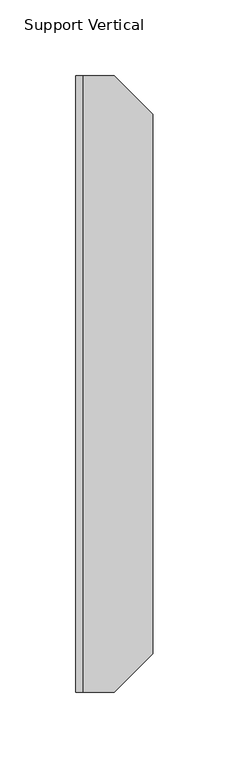
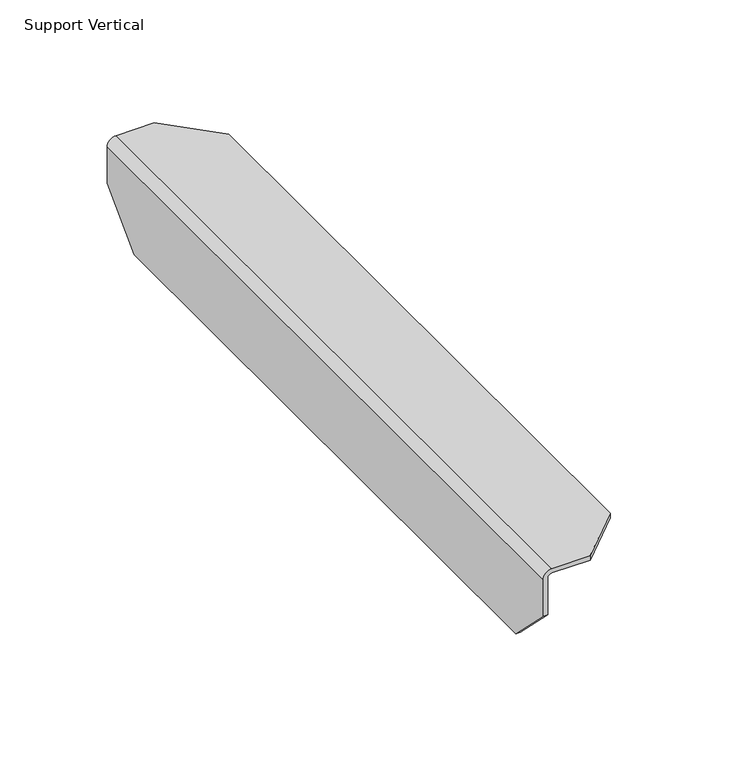
"""IFC4 building model written with IfcOpenShell, lengths in millimetres: furniture geometry, Support Vertical."""

from ifc_helpers import new_model, si_unit, frame, origin, place, context, project, spatial, polyline, circle_curve, source, transform, mapped, element, save
from ifc_brep_helpers import plane_surface, cylinder_surface, revolved_surface, advanced_brep


def support_vertical_fdb97936(model_context):
    return source(origin(), model_context, "Body", "AdvancedBrep", [
        advanced_brep(
        [(2.4638, -406.4, 847.5472), (4.7498, -406.4, 849.8332), (25.4, -406.4, 849.8332), (25.4, -406.4, 852.297), (4.7498, -406.4, 852.297), (0.0, -406.4, 847.5472), (0.0, -406.4, 826.897), (2.4638, -406.4, 826.897), (0.0, 0.0, 847.5472), (4.7498, 0.0, 852.297), (25.4, 0.0, 852.297), (25.4, 0.0, 849.8332), (4.7498, 0.0, 849.8332), (2.4638, 0.0, 847.5472), (2.4638, 0.0, 826.897), (0.0, 0.0, 826.897), (0.0, -381.0, 801.497), (0.0, -25.4, 801.497), (2.4638, -25.4, 801.497), (2.4638, -381.0, 801.497), (50.8, -25.4, 849.8332), (50.8, -381.0, 849.8332), (50.8, -25.4, 852.297), (50.8, -381.0, 852.297)],
        [
            (0, 1, circle_curve(frame((4.7498, -406.4, 847.5472), z_axis=(0.0, 1.0, 0.0), x_axis=(1.0, 0.0, 0.0)), 2.286)),
            (1, 2),
            (2, 3),
            (3, 4),
            (4, 5, circle_curve(frame((4.7498, -406.4, 847.5472), z_axis=(0.0, -1.0, 0.0), x_axis=(1.0, 0.0, 0.0)), 4.7498)),
            (5, 6),
            (6, 7),
            (7, 0),
            (8, 9, circle_curve(frame((4.7498, 0.0, 847.5472), z_axis=(0.0, 1.0, 0.0), x_axis=(1.0, 0.0, 0.0)), 4.7498)),
            (9, 10),
            (10, 11),
            (11, 12),
            (12, 13, circle_curve(frame((4.7498, 0.0, 847.5472), z_axis=(0.0, -1.0, 0.0), x_axis=(1.0, 0.0, 0.0)), 2.286)),
            (13, 14),
            (14, 15),
            (15, 8),
            (16, 17),
            (17, 18),
            (18, 19),
            (19, 16),
            (13, 0),
            (7, 19),
            (18, 14),
            (12, 1),
            (11, 20),
            (20, 21),
            (21, 2),
            (20, 22),
            (22, 23),
            (23, 21),
            (9, 4),
            (3, 23),
            (22, 10),
            (8, 5),
            (15, 17),
            (16, 6),
        ],
        [
            plane_surface(frame((0.0, -406.4, 801.497), z_axis=(0.0, -1.0, 0.0), x_axis=(1.0, 0.0, 0.0))),
            plane_surface(frame((0.0, 0.0, 801.497), z_axis=(0.0, 1.0, 0.0), x_axis=(-1.0, 0.0, 0.0))),
            plane_surface(frame((0.0, -406.4, 801.497), z_axis=(0.0, 0.0, -1.0), x_axis=(0.0, 1.0, 0.0))),
            plane_surface(frame((2.4638, -406.4, 801.497), z_axis=(1.0, 0.0, 0.0), x_axis=(0.0, 1.0, 0.0))),
            revolved_surface(polyline([(7.0358, 0.0, 847.5472), (7.0358, -406.4, 847.5472)]), (4.7498, 0.0, 847.5472), (0.0, 1.0, 0.0)),
            plane_surface(frame((4.7498, -406.4, 849.8332), z_axis=(0.0, 0.0, -1.0), x_axis=(0.0, 1.0, 0.0))),
            plane_surface(frame((50.8, -406.4, 849.8332), z_axis=(1.0, 0.0, 0.0), x_axis=(0.0, 1.0, 0.0))),
            plane_surface(frame((50.8, -406.4, 852.297), z_axis=(0.0, 0.0, 1.0), x_axis=(0.0, 1.0, 0.0))),
            cylinder_surface(frame((4.7498, 0.0, 847.5472), z_axis=(0.0, -1.0, 0.0), x_axis=(1.0, 0.0, 0.0)), 4.7498),
            plane_surface(frame((0.0, -406.4, 847.5472), z_axis=(-1.0, 0.0, 0.0), x_axis=(0.0, 1.0, 0.0))),
            plane_surface(frame((25.4, 0.0, 852.297), z_axis=(0.7071067811857575, 0.7071067811873375, 0.0), x_axis=(0.0, 0.0, -1.0))),
            plane_surface(frame((50.8, -381.0, 852.297), z_axis=(0.7071067811865472, -0.7071067811865479, 0.0), x_axis=(0.0, 0.0, -1.0))),
            plane_surface(frame((2.4638, 0.0, 826.897), z_axis=(0.0, 0.7071067811851919, -0.7071067811879032), x_axis=(-1.0, 0.0, 0.0))),
            plane_surface(frame((2.4638, -381.0, 801.497), z_axis=(0.0, -0.7071067811852013, -0.7071067811878937), x_axis=(-1.0, 0.0, 0.0))),
        ],
        [
            (0, [[1, 2, 3, 4, 5, 6, 7, 8]]),
            (1, [[9, 10, 11, 12, 13, 14, 15, 16]]),
            (2, [[17, 18, 19, 20]]),
            (3, [[21, -8, 22, -19, 23, -14]]),
            (4, [[-1, -21, -13, 24]]),
            (5, [[-24, -12, 25, 26, 27, -2]]),
            (6, [[-26, 28, 29, 30]]),
            (7, [[31, -4, 32, -29, 33, -10]]),
            (8, [[-5, -31, -9, 34]]),
            (9, [[-34, -16, 35, -17, 36, -6]]),
            (10, [[-11, -33, -28, -25]]),
            (11, [[-3, -27, -30, -32]]),
            (12, [[-15, -23, -18, -35]]),
            (13, [[-7, -36, -20, -22]]),
        ],
    ),
    ])


if __name__ == "__main__":
    model = new_model("IFC4")
    model_context = context("Model", 3, world=origin())
    ifc_project = project(units=[si_unit("LENGTHUNIT", "METRE", prefix="MILLI")], contexts=[model_context])
    site = spatial("IfcSite", under=ifc_project)
    building = spatial("IfcBuilding", under=site)
    placement = place(None, origin())
    support_vertical_shape = support_vertical_fdb97936(model_context)
    element("IfcFurniture", 1, ObjectType="Support Vertical", at=placement, inside=building, context=model_context, shape_type="MappedRepresentation", body=[
        mapped(support_vertical_shape, transform((0.0, 0.0, 0.0), x_axis=(1.0, 0.0, 0.0), y_axis=(0.0, 1.0, 0.0), z_axis=(0.0, 0.0, 1.0))),
    ])
    save(model, "model.ifc")
